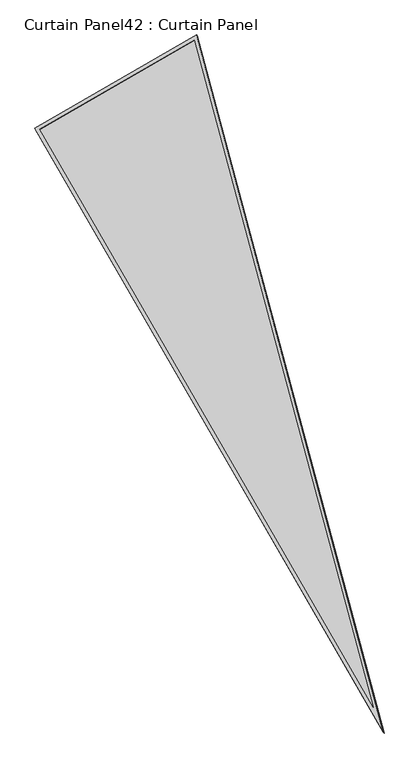
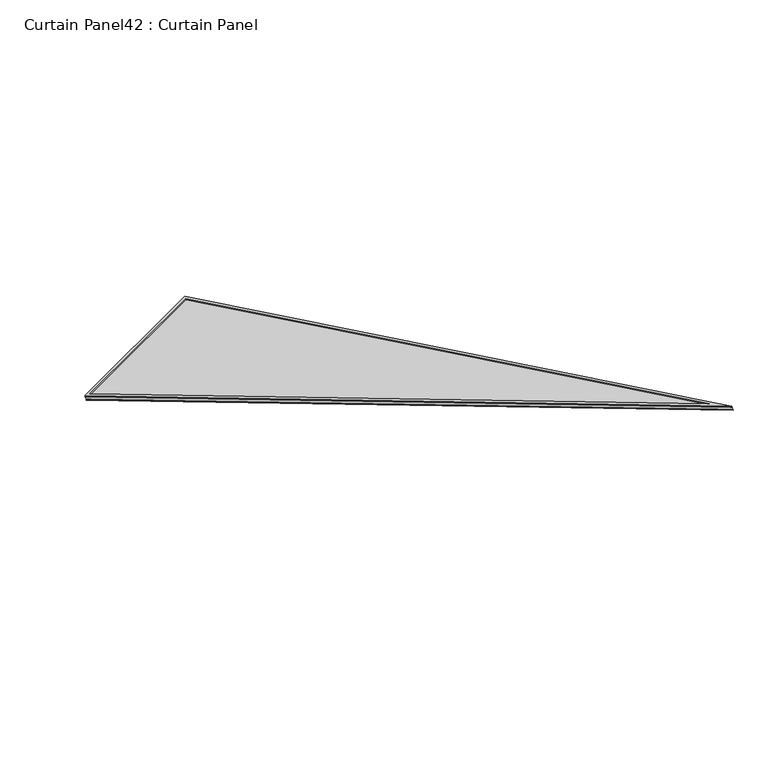
"""IFC4 building model written with IfcOpenShell, lengths in millimetres: plate geometry, Curtain Panel42 : Curtain Panel."""

import ifcopenshell
import ifcopenshell.guid

model = None  # the IFC model being written
_history = None  # IfcOwnerHistory: only IFC2X3 demands one
_inside = {}  # id of a spatial element -> (the spatial element, [elements in it])
_under = {}  # id of a project, library or spatial element -> (it, [spatial elements below it])
_declared = {}  # id of a project -> (the project, [libraries it declares])
_typed = {}  # id of a type object -> (the type object, [elements of that type])
_made_of = {}  # id of a material, layer set ... -> (it, [elements and type objects made of it])


def new_model(schema):
    """Start an empty IFC model of exactly this schema.

    Asked for "IFC4X3", IfcOpenShell would pick the latest addendum, in which some entities
    have other attributes; the version numbers below select the first issue.
    IFC2X3 requires an IfcOwnerHistory on every rooted entity: one is made here for all.
    """
    global model, _history
    if schema == "IFC4X3":
        model = ifcopenshell.file(schema_version=(4, 3, 0, 0))
    else:
        model = ifcopenshell.file(schema=schema)
    _inside.clear()
    _under.clear()
    _declared.clear()
    _typed.clear()
    _made_of.clear()
    _history = None
    if model.schema == "IFC2X3":
        org = make("IfcOrganization", Name="unknown")
        user = make(
            "IfcPersonAndOrganization",
            ThePerson=make("IfcPerson", FamilyName="unknown"),
            TheOrganization=org,
        )
        app = make(
            "IfcApplication",
            ApplicationDeveloper=org,
            Version="unknown",
            ApplicationFullName="unknown",
            ApplicationIdentifier="unknown",
        )
        _history = make(
            "IfcOwnerHistory",
            OwningUser=user,
            OwningApplication=app,
            ChangeAction="ADDED",
            CreationDate=0,
        )
    return model


def make(cls, **values):
    """One entity of the class cls with the attributes given. An attribute that is None is left unset."""
    return model.create_entity(
        cls, **{name: value for name, value in values.items() if value is not None}
    )


def rooted(cls, **values):
    """An entity with a GlobalId (a new one), such as an element, a storey or a relation."""
    return make(cls, GlobalId=ifcopenshell.guid.new(), OwnerHistory=_history, **values)


def si_unit(unit_type, name, prefix=None):
    """IfcSIUnit, for example si_unit("LENGTHUNIT", "METRE", prefix="MILLI")."""
    return make("IfcSIUnit", UnitType=unit_type, Prefix=prefix, Name=name)


def assignment(units):
    """IfcUnitAssignment: the units of a project."""
    return None if units is None else make("IfcUnitAssignment", Units=units)


def point(xyz):
    """IfcCartesianPoint."""
    return None if xyz is None else make("IfcCartesianPoint", Coordinates=xyz)


def direction(xyz):
    """IfcDirection."""
    return None if xyz is None else make("IfcDirection", DirectionRatios=xyz)


def frame(location, z_axis=None, x_axis=None):
    """IfcAxis2Placement3D, a coordinate frame: its origin and axes. An axis left out is left unset."""
    return make(
        "IfcAxis2Placement3D",
        Location=point(location),
        Axis=direction(z_axis),
        RefDirection=direction(x_axis),
    )


def origin():
    """The frame at (0, 0, 0) with its axes left unset."""
    return frame((0.0, 0.0, 0.0))


def place(relative_to, where):
    """IfcLocalPlacement: puts the frame where relative to a parent placement (None: the world)."""
    return make(
        "IfcLocalPlacement", PlacementRelTo=relative_to, RelativePlacement=where
    )


def context(
    kind, dimensions, precision=None, world=None, true_north=None, identifier=None
):
    """IfcGeometricRepresentationContext, for example the 3D "Model" context."""
    return make(
        "IfcGeometricRepresentationContext",
        ContextIdentifier=identifier,
        ContextType=kind,
        CoordinateSpaceDimension=dimensions,
        Precision=precision,
        WorldCoordinateSystem=world,
        TrueNorth=true_north,
    )


def project(units=None, contexts=None):
    """IfcProject with its units and contexts."""
    return rooted(
        "IfcProject",
        Name="project",
        RepresentationContexts=contexts,
        UnitsInContext=assignment(units),
    )


def spatial(cls, under=None, at=None, **own):
    """A site, building, storey or space (cls), placed at a placement, below another one or the project."""
    s = rooted(cls, ObjectPlacement=at, **own)
    if under is not None:
        _under.setdefault(under.id(), (under, []))[1].append(s)
    return s


def polyline(points):
    """IfcPolyline through the points."""
    return make("IfcPolyline", Points=[point(p) for p in points])


def outline(outer, holes=None, kind="AREA"):
    """IfcArbitraryClosedProfileDef: a profile drawn as a closed curve; with holes, ...WithVoids."""
    if holes is None:
        return make("IfcArbitraryClosedProfileDef", ProfileType=kind, OuterCurve=outer)
    return make(
        "IfcArbitraryProfileDefWithVoids",
        ProfileType=kind,
        OuterCurve=outer,
        InnerCurves=holes,
    )


def extrude(swept, where, along, depth):
    """IfcExtrudedAreaSolid: the profile swept, set in the frame where, extruded along a direction by depth."""
    return make(
        "IfcExtrudedAreaSolid",
        SweptArea=swept,
        Position=where,
        ExtrudedDirection=direction(along),
        Depth=depth,
    )


def shape(context_of_items, identifier, shape_type, items):
    """IfcShapeRepresentation: the items that make up one representation, for example the "Body"."""
    return make(
        "IfcShapeRepresentation",
        ContextOfItems=context_of_items,
        RepresentationIdentifier=identifier,
        RepresentationType=shape_type,
        Items=items,
    )


def source(mapping_origin, context_of_items, identifier, shape_type, items):
    """IfcRepresentationMap: a shape defined once, which mapped items show again and again."""
    return make(
        "IfcRepresentationMap",
        MappingOrigin=mapping_origin,
        MappedRepresentation=shape(context_of_items, identifier, shape_type, items),
    )


def transform(
    local_origin,
    x_axis=None,
    y_axis=None,
    z_axis=None,
    scale=None,
    scale2=None,
    scale3=None,
    uniform=True,
):
    """IfcCartesianTransformationOperator3D, or its non-uniform kind. x_axis, y_axis, z_axis: its Axis1, 2, 3."""
    if uniform:
        return make(
            "IfcCartesianTransformationOperator3D",
            Axis1=direction(x_axis),
            Axis2=direction(y_axis),
            LocalOrigin=point(local_origin),
            Scale=scale,
            Axis3=direction(z_axis),
        )
    return make(
        "IfcCartesianTransformationOperator3DnonUniform",
        Axis1=direction(x_axis),
        Axis2=direction(y_axis),
        LocalOrigin=point(local_origin),
        Scale=scale,
        Axis3=direction(z_axis),
        Scale2=scale2,
        Scale3=scale3,
    )


def mapped(mapping_source, mapping_target):
    """IfcMappedItem: shows the shape of a source again, moved by a transform."""
    return make(
        "IfcMappedItem", MappingSource=mapping_source, MappingTarget=mapping_target
    )


def made_of(thing, what):
    """Note that an element or type object is made of a material, layer set ...; save() writes the relation."""
    if what is not None:
        _made_of.setdefault(what.id(), (what, []))[1].append(thing)
    return thing


def element(
    cls,
    number,
    at=None,
    inside=None,
    cuts=None,
    type_object=None,
    material=None,
    context=None,
    identifier="Body",
    shape_type=None,
    held_by="IfcProductDefinitionShape",
    body=None,
    shapes=None,
    **own,
):
    """One element of the class cls, such as IfcWall. Its Tag is "e" and its number.

    at: its placement. inside: the storey or other place that contains it. cuts: it is an
    opening in that element (IfcRelVoidsElement). A single representation is given by context,
    identifier, shape_type and body (its items); several are given by shapes. held_by: the class
    of the entity that holds the representations. save() writes the other relations.
    """
    e = rooted(cls, Tag="e%d" % number, ObjectPlacement=at, **own)
    if body is not None:
        shapes = [shape(context, identifier, shape_type, body)]
    if shapes is not None:
        e.Representation = make(held_by, Representations=shapes)
    if inside is not None:
        _inside.setdefault(inside.id(), (inside, []))[1].append(e)
    if cuts is not None:
        rooted(
            "IfcRelVoidsElement", RelatingBuildingElement=cuts, RelatedOpeningElement=e
        )
    if type_object is not None:
        _typed.setdefault(type_object.id(), (type_object, []))[1].append(e)
    return made_of(e, material)


def aggregate(whole, parts):
    """IfcRelAggregates: a whole, such as a stair, and the parts it consists of."""
    return rooted("IfcRelAggregates", RelatingObject=whole, RelatedObjects=parts)


def save(model, path):
    """Write the relations noted so far, then the file.

    IfcRelAggregates (storeys below a building ...), IfcRelContainedInSpatialStructure (elements
    in a storey), IfcRelDefinesByType, IfcRelAssociatesMaterial and IfcRelDeclares: one each for
    every whole, place, type object, material and project.
    """
    for whole, parts in _under.values():
        aggregate(whole, parts)
    for where, things in _inside.values():
        rooted(
            "IfcRelContainedInSpatialStructure",
            RelatedElements=things,
            RelatingStructure=where,
        )
    for kind, things in _typed.values():
        rooted("IfcRelDefinesByType", RelatedObjects=things, RelatingType=kind)
    for what, things in _made_of.values():
        rooted("IfcRelAssociatesMaterial", RelatedObjects=things, RelatingMaterial=what)
    for by, libraries in _declared.values():
        rooted("IfcRelDeclares", RelatingContext=by, RelatedDefinitions=libraries)
    model.write(path)


def curtain_panel42_curtain_panel_7ae4f3ec(model_context):
    return source(origin(), model_context, "Body", "SweptSolid", [
        extrude(outline(polyline([(895.9373554, 0.0), (0.0, -3524.4506618), (0.0, 0.0), (895.9373554, 0.0)]), holes=[polyline([(882.6749851, -10.3127979), (10.312798, -10.3127979), (10.3127979, -3442.0231397), (882.6749851, -10.3127979)])]), frame((9717.7117361, 7531.5657749, 881.9772337), z_axis=(-0.15807291198690063, 0.2737903148616819, 0.9487106081329136), x_axis=(0.8660254037844428, 0.49999999999999284, 0.0)), (0.0, 0.0, 1.0), 4.8372565),
        extrude(outline(polyline([(895.9373553, 0.0), (0.0, -3524.4506618), (0.0, 0.0), (895.9373553, 0.0)]), holes=[polyline([(874.508816, -16.6627979), (16.6627978, -16.6627979), (16.6627979, -3391.2692346), (874.508816, -16.6627979)])]), frame((9714.918406, 7536.4039647, 898.7420412), z_axis=(-0.1580729119869006, 0.2737903148616815, 0.9487106081329137), x_axis=(0.8660254037844428, 0.49999999999999306, 0.0)), (0.0, 0.0, 1.0), 4.7876053),
        extrude(outline(polyline([(12.7, 0.0), (908.6373554, 0.0), (12.7, -3524.4506618), (12.7, 0.0)])), frame((9705.9485743, 7526.5401689, 886.5663902), z_axis=(-0.15807291198689918, 0.2737903148616805, 0.9487106081329142), x_axis=(0.8660254037844434, 0.4999999999999919, 0.0)), (0.0, 0.0, 1.0), 12.8338936),
    ])


if __name__ == "__main__":
    model = new_model("IFC4")
    model_context = context("Model", 3, world=origin())
    ifc_project = project(units=[si_unit("LENGTHUNIT", "METRE", prefix="MILLI")], contexts=[model_context])
    site = spatial("IfcSite", under=ifc_project)
    building = spatial("IfcBuilding", under=site)
    placement = place(None, origin())
    curtain_panel42_curtain_panel_shape = curtain_panel42_curtain_panel_7ae4f3ec(model_context)
    element("IfcPlate", 1, ObjectType="Curtain Panel42 : Curtain Panel", at=placement, inside=building, context=model_context, shape_type="MappedRepresentation", body=[
        mapped(curtain_panel42_curtain_panel_shape, transform((0.0, 0.0, 0.0), x_axis=(1.0, 0.0, 0.0), y_axis=(0.0, 1.0, 0.0), z_axis=(0.0, 0.0, 1.0))),
    ])
    save(model, "model.ifc")
